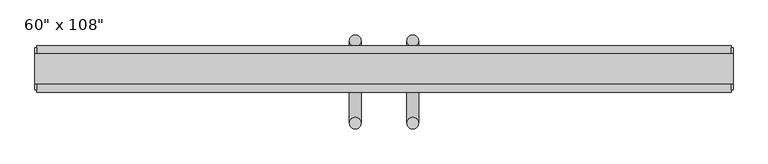
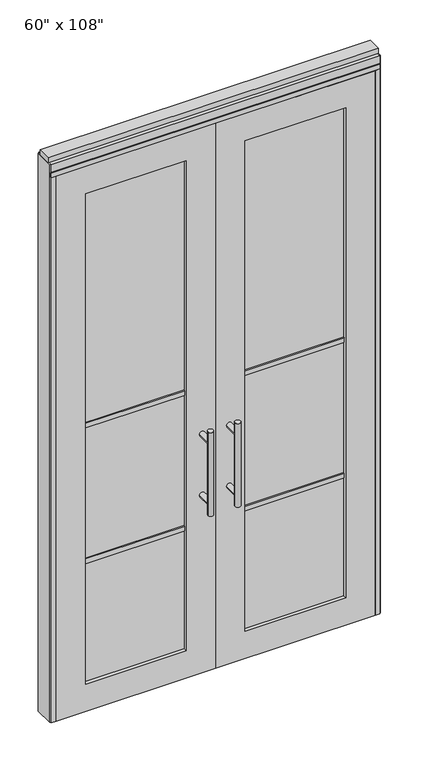
"""IFC4 building model written with IfcOpenShell, lengths in millimetres: furniture geometry."""

from ifc_helpers import new_model, si_unit, frame, origin, origin_with_axes, place, context, project, spatial, polyline, circle_curve, ellipse_curve, outline, extrude, source, transform, mapped, element, save
from ifc_brep_helpers import plane_surface, cylinder_surface, advanced_brep


def furniture_4cc39c0f(model_context):
    return source(origin(), model_context, "Body", "SolidModel", [
        advanced_brep(
        [(-110.0745229, 56.6962784, 1219.2), (-135.4745229, 56.6962784, 1219.2), (-110.0745229, 56.6962784, 812.8), (-135.4745229, 56.6962784, 812.8), (-110.0745229, 56.6962784, 1164.336), (-110.0745229, 56.6962784, 867.664), (-135.4745229, 56.6962784, 867.664), (-135.4745229, 56.6962784, 1164.336), (-110.0745229, -10.8677216, 1164.336), (-135.4745229, -10.8677216, 1164.336), (-110.0745229, -10.8677216, 867.664), (-135.4745229, -10.8677216, 867.664)],
        [
            (0, 1, circle_curve(frame((-122.7745229, 56.6962784, 1219.2), z_axis=(0.0, 0.0, 1.0), x_axis=(-1.0, 0.0, 0.0)), 12.7)),
            (1, 0, circle_curve(frame((-122.7745229, 56.6962784, 1219.2), z_axis=(0.0, 0.0, 1.0), x_axis=(-1.0, 0.0, 0.0)), 12.7)),
            (2, 3, circle_curve(frame((-122.7745229, 56.6962784, 812.8), z_axis=(0.0, 0.0, -1.0), x_axis=(-1.0, 0.0, 0.0)), 12.7)),
            (3, 2, circle_curve(frame((-122.7745229, 56.6962784, 812.8), z_axis=(0.0, 0.0, -1.0), x_axis=(-1.0, 0.0, 0.0)), 12.7)),
            (0, 4),
            (4, 5),
            (5, 2),
            (3, 6),
            (6, 7),
            (7, 1),
            (7, 4, ellipse_curve(frame((-122.7745229, 56.6962784, 1164.336), z_axis=(0.0, 0.707106781186565, 0.70710678118653), x_axis=(0.0, -0.70710678118653, 0.707106781186565)), 17.9605122, 12.7)),
            (5, 6, ellipse_curve(frame((-122.7745229, 56.6962784, 867.664), z_axis=(0.0, 0.70710678118653, -0.7071067811865649), x_axis=(0.0, 0.7071067811865648, 0.7071067811865301)), 17.9605122, 12.7)),
            (4, 7, ellipse_curve(frame((-122.7745229, 56.6962784, 1164.336), z_axis=(0.0, 0.70710678118653, -0.7071067811865649), x_axis=(0.0, 0.7071067811865648, 0.7071067811865301)), 17.9605122, 12.7)),
            (6, 5, ellipse_curve(frame((-122.7745229, 56.6962784, 867.664), z_axis=(0.0, 0.707106781186565, 0.70710678118653), x_axis=(0.0, -0.70710678118653, 0.707106781186565)), 17.9605122, 12.7)),
            (8, 9, circle_curve(frame((-122.7745229, -10.8677216, 1164.336), z_axis=(0.0, -1.0, 0.0), x_axis=(-1.0, 0.0, 0.0)), 12.7)),
            (9, 8, circle_curve(frame((-122.7745229, -10.8677216, 1164.336), z_axis=(0.0, -1.0, 0.0), x_axis=(-1.0, 0.0, 0.0)), 12.7)),
            (9, 7),
            (4, 8),
            (10, 11, circle_curve(frame((-122.7745229, -10.8677216, 867.664), z_axis=(0.0, -1.0, 0.0), x_axis=(-1.0, 0.0, 0.0)), 12.7)),
            (11, 10, circle_curve(frame((-122.7745229, -10.8677216, 867.664), z_axis=(0.0, -1.0, 0.0), x_axis=(-1.0, 0.0, 0.0)), 12.7)),
            (11, 6),
            (5, 10),
        ],
        [
            plane_surface(frame((-135.4745229, 56.6962784, 1219.2), z_axis=(0.0, 0.0, 1.0), x_axis=(0.0, -1.0, 0.0))),
            plane_surface(frame((-135.4745229, 56.6962784, 812.8), z_axis=(0.0, 0.0, -1.0), x_axis=(0.0, 1.0, 0.0))),
            cylinder_surface(frame((-122.7745229, 56.6962784, 812.8), z_axis=(0.0, 0.0, 1.0), x_axis=(-1.0, 0.0, 0.0)), 12.7),
            plane_surface(frame((-135.4745229, -10.8677216, 1164.336), z_axis=(0.0, -1.0, 0.0), x_axis=(0.0, 0.0, -1.0))),
            cylinder_surface(frame((-122.7745229, -10.8677216, 1164.336), z_axis=(0.0, 1.0, 0.0), x_axis=(-1.0, 0.0, 0.0)), 12.7),
            plane_surface(frame((-135.4745229, -10.8677216, 867.664), z_axis=(0.0, -1.0, 0.0), x_axis=(0.0, 0.0, -1.0))),
            cylinder_surface(frame((-122.7745229, -10.8677216, 867.664), z_axis=(0.0, 1.0, 0.0), x_axis=(-1.0, 0.0, 0.0)), 12.7),
        ],
        [
            (0, [[1, 2]]),
            (1, [[3, 4]]),
            (2, [[-1, 5, 6, 7, -4, 8, 9, 10]]),
            (2, [[-2, -10, 11, -5]]),
            (2, [[-3, -7, 12, -8]]),
            (2, [[13, -9, 14, -6]]),
            (3, [[15, 16]]),
            (4, [[-16, 17, -13, 18]]),
            (4, [[-15, -18, -11, -17]]),
            (5, [[19, 20]]),
            (6, [[-20, 21, -12, 22]]),
            (6, [[-19, -22, -14, -21]]),
        ],
    ),
        advanced_brep(
        [(-110.0745229, -122.8817216, 1219.2), (-135.4745229, -122.8817216, 1219.2), (-110.0745229, -122.8817216, 812.8), (-135.4745229, -122.8817216, 812.8), (-135.4745229, -122.8817216, 1164.336), (-135.4745229, -122.8817216, 867.664), (-110.0745229, -122.8817216, 867.664), (-110.0745229, -122.8817216, 1164.336), (-110.0745229, -55.3177216, 1164.336), (-135.4745229, -55.3177216, 1164.336), (-110.0745229, -55.3177216, 867.664), (-135.4745229, -55.3177216, 867.664)],
        [
            (0, 1, circle_curve(frame((-122.7745229, -122.8817216, 1219.2), z_axis=(0.0, 0.0, 1.0), x_axis=(-1.0, 0.0, 0.0)), 12.7)),
            (1, 0, circle_curve(frame((-122.7745229, -122.8817216, 1219.2), z_axis=(0.0, 0.0, 1.0), x_axis=(-1.0, 0.0, 0.0)), 12.7)),
            (2, 3, circle_curve(frame((-122.7745229, -122.8817216, 812.8), z_axis=(0.0, 0.0, -1.0), x_axis=(-1.0, 0.0, 0.0)), 12.7)),
            (3, 2, circle_curve(frame((-122.7745229, -122.8817216, 812.8), z_axis=(0.0, 0.0, -1.0), x_axis=(-1.0, 0.0, 0.0)), 12.7)),
            (1, 4),
            (4, 5),
            (5, 3),
            (2, 6),
            (6, 7),
            (7, 0),
            (6, 5, ellipse_curve(frame((-122.7745229, -122.8817216, 867.664), z_axis=(0.0, -0.707106781186565, 0.70710678118653), x_axis=(0.0, 0.70710678118653, 0.707106781186565)), 17.9605122, 12.7)),
            (4, 7, ellipse_curve(frame((-122.7745229, -122.8817216, 1164.336), z_axis=(0.0, -0.70710678118653, -0.7071067811865649), x_axis=(0.0, -0.7071067811865648, 0.7071067811865301)), 17.9605122, 12.7)),
            (7, 4, ellipse_curve(frame((-122.7745229, -122.8817216, 1164.336), z_axis=(0.0, -0.707106781186565, 0.70710678118653), x_axis=(0.0, 0.70710678118653, 0.707106781186565)), 17.9605122, 12.7)),
            (5, 6, ellipse_curve(frame((-122.7745229, -122.8817216, 867.664), z_axis=(0.0, -0.70710678118653, -0.7071067811865649), x_axis=(0.0, -0.7071067811865648, 0.7071067811865301)), 17.9605122, 12.7)),
            (8, 9, circle_curve(frame((-122.7745229, -55.3177216, 1164.336), z_axis=(0.0, 1.0, 0.0), x_axis=(-1.0, 0.0, 0.0)), 12.7)),
            (9, 8, circle_curve(frame((-122.7745229, -55.3177216, 1164.336), z_axis=(0.0, 1.0, 0.0), x_axis=(-1.0, 0.0, 0.0)), 12.7)),
            (8, 7),
            (4, 9),
            (10, 11, circle_curve(frame((-122.7745229, -55.3177216, 867.664), z_axis=(0.0, 1.0, 0.0), x_axis=(-1.0, 0.0, 0.0)), 12.7)),
            (11, 10, circle_curve(frame((-122.7745229, -55.3177216, 867.664), z_axis=(0.0, 1.0, 0.0), x_axis=(-1.0, 0.0, 0.0)), 12.7)),
            (10, 6),
            (5, 11),
        ],
        [
            plane_surface(frame((-135.4745229, -122.8817216, 1219.2), z_axis=(0.0, 0.0, 1.0), x_axis=(0.0, 1.0, 0.0))),
            plane_surface(frame((-135.4745229, -122.8817216, 812.8), z_axis=(0.0, 0.0, -1.0), x_axis=(0.0, -1.0, 0.0))),
            cylinder_surface(frame((-122.7745229, -122.8817216, 812.8), z_axis=(0.0, 0.0, 1.0), x_axis=(-1.0, 0.0, 0.0)), 12.7),
            plane_surface(frame((-135.4745229, -55.3177216, 1164.336), z_axis=(0.0, 1.0, 0.0), x_axis=(0.0, 0.0, -1.0))),
            cylinder_surface(frame((-122.7745229, -55.3177216, 1164.336), z_axis=(0.0, -1.0, 0.0), x_axis=(-1.0, 0.0, 0.0)), 12.7),
            plane_surface(frame((-135.4745229, -55.3177216, 867.664), z_axis=(0.0, 1.0, 0.0), x_axis=(0.0, 0.0, -1.0))),
            cylinder_surface(frame((-122.7745229, -55.3177216, 867.664), z_axis=(0.0, -1.0, 0.0), x_axis=(-1.0, 0.0, 0.0)), 12.7),
        ],
        [
            (0, [[1, 2]]),
            (1, [[3, 4]]),
            (2, [[5, 6, 7, -3, 8, 9, 10, -2]]),
            (2, [[-9, 11, -6, 12]]),
            (2, [[-10, 13, -5, -1]]),
            (2, [[-7, 14, -8, -4]]),
            (3, [[15, 16]]),
            (4, [[17, -12, 18, -15]]),
            (4, [[-18, -13, -17, -16]]),
            (5, [[19, 20]]),
            (6, [[21, -14, 22, -19]]),
            (6, [[-22, -11, -21, -20]]),
        ],
    ),
        extrude(outline(polyline([(-196.0535229, -44.2052216), (-659.8575229, -44.2052216), (-659.8575229, -21.9802216), (-196.0535229, -21.9802216), (-196.0535229, -44.2052216)])), frame((0.0, 0.0, 1371.6), z_axis=(0.0, 0.0, 1.0), x_axis=(1.0, 0.0, 0.0)), (0.0, 0.0, 1.0), 22.225),
        extrude(outline(polyline([(-196.0535229, -44.2052216), (-659.8575229, -44.2052216), (-659.8575229, -21.9802216), (-196.0535229, -21.9802216), (-196.0535229, -44.2052216)])), frame((0.0, 0.0, 711.2), z_axis=(0.0, 0.0, 1.0), x_axis=(1.0, 0.0, 0.0)), (0.0, 0.0, 1.0), 22.225),
        extrude(outline(polyline([(-659.8575229, -38.1727216), (-659.8575229, -28.0127216), (-196.0535229, -28.0127216), (-196.0535229, -38.1727216), (-659.8575229, -38.1727216)])), frame((0.0, 0.0, 132.969), z_axis=(0.0, 0.0, 1.0), x_axis=(1.0, 0.0, 0.0)), (0.0, 0.0, 1.0), 2388.362),
        extrude(outline(polyline([(2654.3, -795.8745229), (0.0, -795.8745229), (0.0, -60.0365229), (2654.3, -60.0365229), (2654.3, -795.8745229)]), holes=[polyline([(2521.331, -659.8575229), (2521.331, -196.0535229), (132.969, -196.0535229), (132.969, -659.8575229), (2521.331, -659.8575229)])]), frame((0.0, -55.3177216, 0.0), z_axis=(0.0, 1.0, 0.0), x_axis=(0.0, 0.0, 1.0)), (0.0, 0.0, 1.0), 44.45),
        advanced_brep(
        [(-9.9985229, 56.6962784, 1219.2), (15.4014771, 56.6962784, 1219.2), (-9.9985229, 56.6962784, 812.8), (15.4014771, 56.6962784, 812.8), (15.4014771, 56.6962784, 1164.336), (15.4014771, 56.6962784, 867.664), (-9.9985229, 56.6962784, 867.664), (-9.9985229, 56.6962784, 1164.336), (-9.9985229, -10.8677216, 1164.336), (15.4014771, -10.8677216, 1164.336), (-9.9985229, -10.8677216, 867.664), (15.4014771, -10.8677216, 867.664)],
        [
            (0, 1, circle_curve(frame((2.7014771, 56.6962784, 1219.2), z_axis=(0.0, 0.0, 1.0), x_axis=(1.0, 0.0, 0.0)), 12.7)),
            (1, 0, circle_curve(frame((2.7014771, 56.6962784, 1219.2), z_axis=(0.0, 0.0, 1.0), x_axis=(1.0, 0.0, 0.0)), 12.7)),
            (2, 3, circle_curve(frame((2.7014771, 56.6962784, 812.8), z_axis=(0.0, 0.0, -1.0), x_axis=(1.0, 0.0, 0.0)), 12.7)),
            (3, 2, circle_curve(frame((2.7014771, 56.6962784, 812.8), z_axis=(0.0, 0.0, -1.0), x_axis=(1.0, 0.0, 0.0)), 12.7)),
            (1, 4),
            (4, 5),
            (5, 3),
            (2, 6),
            (6, 7),
            (7, 0),
            (6, 5, ellipse_curve(frame((2.7014771, 56.6962784, 867.664), z_axis=(0.0, 0.707106781186565, 0.70710678118653), x_axis=(0.0, -0.70710678118653, 0.707106781186565)), 17.9605122, 12.7)),
            (4, 7, ellipse_curve(frame((2.7014771, 56.6962784, 1164.336), z_axis=(0.0, 0.70710678118653, -0.7071067811865649), x_axis=(0.0, 0.7071067811865648, 0.7071067811865301)), 17.9605122, 12.7)),
            (7, 4, ellipse_curve(frame((2.7014771, 56.6962784, 1164.336), z_axis=(0.0, 0.707106781186565, 0.70710678118653), x_axis=(0.0, -0.70710678118653, 0.707106781186565)), 17.9605122, 12.7)),
            (5, 6, ellipse_curve(frame((2.7014771, 56.6962784, 867.664), z_axis=(0.0, 0.70710678118653, -0.7071067811865649), x_axis=(0.0, 0.7071067811865648, 0.7071067811865301)), 17.9605122, 12.7)),
            (8, 9, circle_curve(frame((2.7014771, -10.8677216, 1164.336), z_axis=(0.0, -1.0, 0.0), x_axis=(1.0, 0.0, 0.0)), 12.7)),
            (9, 8, circle_curve(frame((2.7014771, -10.8677216, 1164.336), z_axis=(0.0, -1.0, 0.0), x_axis=(1.0, 0.0, 0.0)), 12.7)),
            (8, 7),
            (4, 9),
            (10, 11, circle_curve(frame((2.7014771, -10.8677216, 867.664), z_axis=(0.0, -1.0, 0.0), x_axis=(1.0, 0.0, 0.0)), 12.7)),
            (11, 10, circle_curve(frame((2.7014771, -10.8677216, 867.664), z_axis=(0.0, -1.0, 0.0), x_axis=(1.0, 0.0, 0.0)), 12.7)),
            (10, 6),
            (5, 11),
        ],
        [
            plane_surface(frame((15.4014771, 56.6962784, 1219.2), z_axis=(0.0, 0.0, 1.0), x_axis=(0.0, -1.0, 0.0))),
            plane_surface(frame((15.4014771, 56.6962784, 812.8), z_axis=(0.0, 0.0, -1.0), x_axis=(0.0, 1.0, 0.0))),
            cylinder_surface(frame((2.7014771, 56.6962784, 812.8), z_axis=(0.0, 0.0, 1.0), x_axis=(1.0, 0.0, 0.0)), 12.7),
            plane_surface(frame((15.4014771, -10.8677216, 1164.336), z_axis=(0.0, -1.0, 0.0), x_axis=(0.0, 0.0, -1.0))),
            cylinder_surface(frame((2.7014771, -10.8677216, 1164.336), z_axis=(0.0, 1.0, 0.0), x_axis=(1.0, 0.0, 0.0)), 12.7),
            plane_surface(frame((15.4014771, -10.8677216, 867.664), z_axis=(0.0, -1.0, 0.0), x_axis=(0.0, 0.0, -1.0))),
            cylinder_surface(frame((2.7014771, -10.8677216, 867.664), z_axis=(0.0, 1.0, 0.0), x_axis=(1.0, 0.0, 0.0)), 12.7),
        ],
        [
            (0, [[1, 2]]),
            (1, [[3, 4]]),
            (2, [[5, 6, 7, -3, 8, 9, 10, -2]]),
            (2, [[-9, 11, -6, 12]]),
            (2, [[-10, 13, -5, -1]]),
            (2, [[-7, 14, -8, -4]]),
            (3, [[15, 16]]),
            (4, [[17, -12, 18, -15]]),
            (4, [[-18, -13, -17, -16]]),
            (5, [[19, 20]]),
            (6, [[21, -14, 22, -19]]),
            (6, [[-22, -11, -21, -20]]),
        ],
    ),
        advanced_brep(
        [(-9.9985229, -122.8817216, 1219.2), (15.4014771, -122.8817216, 1219.2), (-9.9985229, -122.8817216, 812.8), (15.4014771, -122.8817216, 812.8), (-9.9985229, -122.8817216, 1164.336), (-9.9985229, -122.8817216, 867.664), (15.4014771, -122.8817216, 867.664), (15.4014771, -122.8817216, 1164.336), (-9.9985229, -55.3177216, 1164.336), (15.4014771, -55.3177216, 1164.336), (-9.9985229, -55.3177216, 867.664), (15.4014771, -55.3177216, 867.664)],
        [
            (0, 1, circle_curve(frame((2.7014771, -122.8817216, 1219.2), z_axis=(0.0, 0.0, 1.0), x_axis=(1.0, 0.0, 0.0)), 12.7)),
            (1, 0, circle_curve(frame((2.7014771, -122.8817216, 1219.2), z_axis=(0.0, 0.0, 1.0), x_axis=(1.0, 0.0, 0.0)), 12.7)),
            (2, 3, circle_curve(frame((2.7014771, -122.8817216, 812.8), z_axis=(0.0, 0.0, -1.0), x_axis=(1.0, 0.0, 0.0)), 12.7)),
            (3, 2, circle_curve(frame((2.7014771, -122.8817216, 812.8), z_axis=(0.0, 0.0, -1.0), x_axis=(1.0, 0.0, 0.0)), 12.7)),
            (0, 4),
            (4, 5),
            (5, 2),
            (3, 6),
            (6, 7),
            (7, 1),
            (7, 4, ellipse_curve(frame((2.7014771, -122.8817216, 1164.336), z_axis=(0.0, -0.707106781186565, 0.70710678118653), x_axis=(0.0, 0.70710678118653, 0.707106781186565)), 17.9605122, 12.7)),
            (5, 6, ellipse_curve(frame((2.7014771, -122.8817216, 867.664), z_axis=(0.0, -0.70710678118653, -0.7071067811865649), x_axis=(0.0, -0.7071067811865648, 0.7071067811865301)), 17.9605122, 12.7)),
            (4, 7, ellipse_curve(frame((2.7014771, -122.8817216, 1164.336), z_axis=(0.0, -0.70710678118653, -0.7071067811865649), x_axis=(0.0, -0.7071067811865648, 0.7071067811865301)), 17.9605122, 12.7)),
            (6, 5, ellipse_curve(frame((2.7014771, -122.8817216, 867.664), z_axis=(0.0, -0.707106781186565, 0.70710678118653), x_axis=(0.0, 0.70710678118653, 0.707106781186565)), 17.9605122, 12.7)),
            (8, 9, circle_curve(frame((2.7014771, -55.3177216, 1164.336), z_axis=(0.0, 1.0, 0.0), x_axis=(1.0, 0.0, 0.0)), 12.7)),
            (9, 8, circle_curve(frame((2.7014771, -55.3177216, 1164.336), z_axis=(0.0, 1.0, 0.0), x_axis=(1.0, 0.0, 0.0)), 12.7)),
            (9, 7),
            (4, 8),
            (10, 11, circle_curve(frame((2.7014771, -55.3177216, 867.664), z_axis=(0.0, 1.0, 0.0), x_axis=(1.0, 0.0, 0.0)), 12.7)),
            (11, 10, circle_curve(frame((2.7014771, -55.3177216, 867.664), z_axis=(0.0, 1.0, 0.0), x_axis=(1.0, 0.0, 0.0)), 12.7)),
            (11, 6),
            (5, 10),
        ],
        [
            plane_surface(frame((15.4014771, -122.8817216, 1219.2), z_axis=(0.0, 0.0, 1.0), x_axis=(0.0, 1.0, 0.0))),
            plane_surface(frame((15.4014771, -122.8817216, 812.8), z_axis=(0.0, 0.0, -1.0), x_axis=(0.0, -1.0, 0.0))),
            cylinder_surface(frame((2.7014771, -122.8817216, 812.8), z_axis=(0.0, 0.0, 1.0), x_axis=(1.0, 0.0, 0.0)), 12.7),
            plane_surface(frame((15.4014771, -55.3177216, 1164.336), z_axis=(0.0, 1.0, 0.0), x_axis=(0.0, 0.0, -1.0))),
            cylinder_surface(frame((2.7014771, -55.3177216, 1164.336), z_axis=(0.0, -1.0, 0.0), x_axis=(1.0, 0.0, 0.0)), 12.7),
            plane_surface(frame((15.4014771, -55.3177216, 867.664), z_axis=(0.0, 1.0, 0.0), x_axis=(0.0, 0.0, -1.0))),
            cylinder_surface(frame((2.7014771, -55.3177216, 867.664), z_axis=(0.0, -1.0, 0.0), x_axis=(1.0, 0.0, 0.0)), 12.7),
        ],
        [
            (0, [[1, 2]]),
            (1, [[3, 4]]),
            (2, [[-1, 5, 6, 7, -4, 8, 9, 10]]),
            (2, [[-2, -10, 11, -5]]),
            (2, [[-3, -7, 12, -8]]),
            (2, [[13, -9, 14, -6]]),
            (3, [[15, 16]]),
            (4, [[-16, 17, -13, 18]]),
            (4, [[-15, -18, -11, -17]]),
            (5, [[19, 20]]),
            (6, [[-20, 21, -12, 22]]),
            (6, [[-19, -22, -14, -21]]),
        ],
    ),
        extrude(outline(polyline([(75.9804771, -44.2052216), (75.9804771, -21.9802216), (539.7844771, -21.9802216), (539.7844771, -44.2052216), (75.9804771, -44.2052216)])), frame((0.0, 0.0, 1371.6), z_axis=(0.0, 0.0, 1.0), x_axis=(1.0, 0.0, 0.0)), (0.0, 0.0, 1.0), 22.225),
        extrude(outline(polyline([(75.9804771, -44.2052216), (75.9804771, -21.9802216), (539.7844771, -21.9802216), (539.7844771, -44.2052216), (75.9804771, -44.2052216)])), frame((0.0, 0.0, 711.2), z_axis=(0.0, 0.0, 1.0), x_axis=(1.0, 0.0, 0.0)), (0.0, 0.0, 1.0), 22.225),
        extrude(outline(polyline([(539.7844771, -38.1727216), (75.9804771, -38.1727216), (75.9804771, -28.0127216), (539.7844771, -28.0127216), (539.7844771, -38.1727216)])), frame((0.0, 0.0, 132.969), z_axis=(0.0, 0.0, 1.0), x_axis=(1.0, 0.0, 0.0)), (0.0, 0.0, 1.0), 2388.362),
        extrude(outline(polyline([(2654.3, 675.8014771), (2654.3, -60.0365229), (0.0, -60.0365229), (0.0, 675.8014771), (2654.3, 675.8014771)]), holes=[polyline([(2521.331, 539.7844771), (132.969, 539.7844771), (132.969, 75.9804771), (2521.331, 75.9804771), (2521.331, 539.7844771)])]), frame((0.0, -55.3177216, 0.0), z_axis=(0.0, 1.0, 0.0), x_axis=(0.0, 0.0, 1.0)), (0.0, 0.0, 1.0), 44.45),
        extrude(outline(polyline([(-818.0995229, -55.3177216), (-818.0995229, 46.2822784), (698.0264771, 46.2822784), (698.0264771, -55.3177216), (-818.0995229, -55.3177216)])), frame((0.0, 0.0, 2654.3), z_axis=(0.0, 0.0, 1.0), x_axis=(1.0, 0.0, 0.0)), (0.0, 0.0, 1.0), 22.225),
        extrude(outline(polyline([(701.9634771, -50.3647216), (698.0264771, -50.3647216), (698.0264771, 41.3292784), (701.9634771, 41.3292784), (701.9634771, -50.3647216)])), origin_with_axes(), (0.0, 0.0, 1.0), 2717.8),
        extrude(outline(polyline([(-822.0365229, -50.3647216), (-822.0365229, 41.3292784), (-818.0995229, 41.3292784), (-818.0995229, -50.3647216), (-822.0365229, -50.3647216)])), origin_with_axes(), (0.0, 0.0, 1.0), 2717.8),
        extrude(outline(polyline([(675.8014771, -55.3177216), (675.8014771, 46.2822784), (698.0264771, 46.2822784), (698.0264771, -55.3177216), (675.8014771, -55.3177216)])), origin_with_axes(), (0.0, 0.0, 1.0), 2654.3),
        extrude(outline(polyline([(-795.8745229, -55.3177216), (-818.0995229, -55.3177216), (-818.0995229, 46.2822784), (-795.8745229, 46.2822784), (-795.8745229, -55.3177216)])), origin_with_axes(), (0.0, 0.0, 1.0), 2654.3),
        extrude(outline(polyline([(-55.3177216, 2681.478), (-55.3177216, 2717.8), (46.2822784, 2717.8), (46.2822784, 2681.478), (41.3292784, 2681.478), (41.3292784, 2676.525), (-50.3647216, 2676.525), (-50.3647216, 2681.478), (-55.3177216, 2681.478)])), frame((-818.0995229, 0.0, 0.0), z_axis=(1.0, 0.0, 0.0), x_axis=(0.0, 1.0, 0.0)), (0.0, 0.0, 1.0), 1516.126),
        extrude(outline(polyline([(-822.0365229, -37.0297216), (-822.0365229, 27.9942784), (701.9634771, 27.9942784), (701.9634771, -37.0297216), (-822.0365229, -37.0297216)])), frame((0.0, 0.0, 2717.8), z_axis=(0.0, 0.0, 1.0), x_axis=(1.0, 0.0, 0.0)), (0.0, 0.0, 1.0), 25.4),
    ])


if __name__ == "__main__":
    model = new_model("IFC4")
    model_context = context("Model", 3, world=origin())
    ifc_project = project(units=[si_unit("LENGTHUNIT", "METRE", prefix="MILLI")], contexts=[model_context])
    site = spatial("IfcSite", under=ifc_project)
    building = spatial("IfcBuilding", under=site)
    placement = place(None, origin())
    furniture_shape = furniture_4cc39c0f(model_context)
    element("IfcFurniture", 1, ObjectType="60\" x 108\"", at=placement, inside=building, context=model_context, shape_type="MappedRepresentation", body=[
        mapped(furniture_shape, transform((0.0, 0.0, 0.0), x_axis=(1.0, 0.0, 0.0), y_axis=(0.0, 1.0, 0.0), z_axis=(0.0, 0.0, 1.0))),
    ])
    save(model, "model.ifc")
